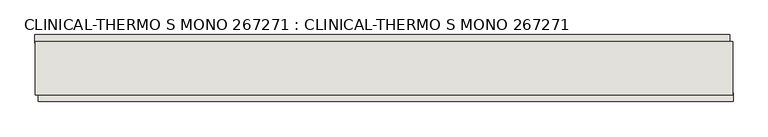
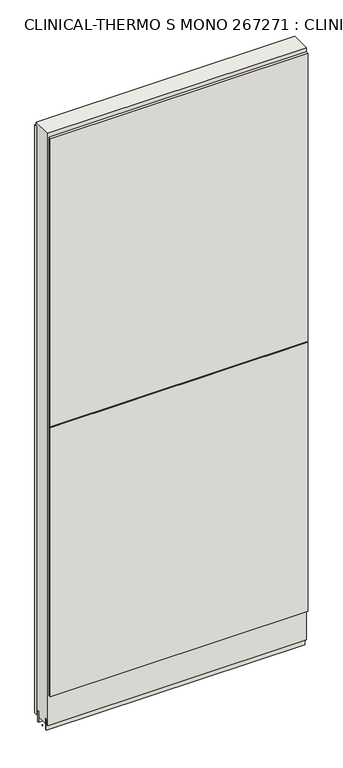
"""IFC4 building model written with IfcOpenShell, lengths in millimetres: wall geometry, CLINICAL-THERMO S MONO 267271 : CLINICAL-THERMO S MONO 267271."""

from ifc_helpers import new_model, si_unit, frame, origin, place, context, project, spatial, polyline, outline, extrude, source, transform, mapped, element, save


def clinical_thermo_s_mono_267271_clinical_thermo_s_mono_267271_62404d31(model_context):
    return source(origin(), model_context, "Body", "SweptSolid", [
        extrude(outline(polyline([(86996.8156936, -47157.7745692), (86994.2756936, -47157.7745692), (86994.2756936, -47155.2345692), (86996.8156936, -47155.2345692), (86996.8156936, -47157.7745692)])), frame((0.0, 0.0, 4419.6), z_axis=(0.0, 0.0, 1.0), x_axis=(1.0, 0.0, 0.0)), (0.0, 0.0, 1.0), 2.54),
        extrude(outline(polyline([(86993.8090702, -47105.7045692), (88048.5918222, -47105.7045692), (88048.5918222, -47118.4045692), (86993.8090702, -47118.4045692), (86993.8090702, -47105.7045692)])), frame((0.0, 0.0, 4445.0), z_axis=(0.0, 0.0, 1.0), x_axis=(1.0, 0.0, 0.0)), (0.0, 0.0, 1.0), 2545.0498756),
        extrude(outline(polyline([(88053.521759, -47207.3045692), (86998.739007, -47207.3045692), (86998.739007, -47194.6045692), (88053.521759, -47194.6045692), (88053.521759, -47207.3045692)])), frame((0.0, 0.0, 4573.9999706), z_axis=(0.0, 0.0, 1.0), x_axis=(1.0, 0.0, 0.0)), (0.0, 0.0, 1.0), 1164.400008),
        extrude(outline(polyline([(88053.521759, -47207.3045692), (86998.739007, -47207.3045692), (86998.739007, -47194.6045692), (88053.521759, -47194.6045692), (88053.521759, -47207.3045692)])), frame((0.0, 0.0, 5742.4000722), z_axis=(0.0, 0.0, 1.0), x_axis=(1.0, 0.0, 0.0)), (0.0, 0.0, 1.0), 1247.649905),
        extrude(outline(polyline([(88053.0625524, -47131.4270222), (86994.2620538, -47131.4270222), (86994.2620538, -47126.3482668), (88053.0625524, -47126.3482668), (88053.0625524, -47131.4270222)])), frame((0.0, 0.0, 4418.6602), z_axis=(0.0, 0.0, 1.0), x_axis=(1.0, 0.0, 0.0)), (0.0, 0.0, 1.0), 47.625),
        extrude(outline(polyline([(88053.0625524, -47131.4270222), (86994.2620538, -47131.4270222), (86994.2620538, -47126.3482668), (88053.0625524, -47126.3482668), (88053.0625524, -47131.4270222)])), frame((0.0, 0.0, 4418.6602), z_axis=(0.0, 0.0, 1.0), x_axis=(1.0, 0.0, 0.0)), (0.0, 0.0, 1.0), 47.625),
        extrude(outline(polyline([(86994.2620538, -47181.5914126), (88053.0625524, -47181.5914126), (88053.0625524, -47186.6732668), (86994.2620538, -47186.6732668), (86994.2620538, -47181.5914126)])), frame((0.0, 0.0, 4418.6602), z_axis=(0.0, 0.0, 1.0), x_axis=(1.0, 0.0, 0.0)), (0.0, 0.0, 1.0), 47.625),
        extrude(outline(polyline([(86994.2620538, -47181.5914126), (88053.0625524, -47181.5914126), (88053.0625524, -47186.6732668), (86994.2620538, -47186.6732668), (86994.2620538, -47181.5914126)])), frame((0.0, 0.0, 4418.6602), z_axis=(0.0, 0.0, 1.0), x_axis=(1.0, 0.0, 0.0)), (0.0, 0.0, 1.0), 47.625),
        extrude(outline(polyline([(88053.0625524, -47115.8558824), (88053.0625524, -47197.1377366), (86994.2620538, -47197.1377366), (86994.2620538, -47115.8558824), (88053.0625524, -47115.8558824)])), frame((0.0, 0.0, 4445.0), z_axis=(0.0, 0.0, 1.0), x_axis=(1.0, 0.0, 0.0)), (0.0, 0.0, 1.0), 2562.4536762),
    ])


if __name__ == "__main__":
    model = new_model("IFC4")
    model_context = context("Model", 3, world=origin())
    ifc_project = project(units=[si_unit("LENGTHUNIT", "METRE", prefix="MILLI")], contexts=[model_context])
    site = spatial("IfcSite", under=ifc_project)
    building = spatial("IfcBuilding", under=site)
    placement = place(None, origin())
    clinical_thermo_s_mono_267271_clinical_thermo_s_mono_267271_shape = clinical_thermo_s_mono_267271_clinical_thermo_s_mono_267271_62404d31(model_context)
    element("IfcWall", 1, ObjectType="CLINICAL-THERMO S MONO 267271 : CLINICAL-THERMO S MONO 267271", at=placement, inside=building, context=model_context, shape_type="MappedRepresentation", body=[
        mapped(clinical_thermo_s_mono_267271_clinical_thermo_s_mono_267271_shape, transform((0.0, 0.0, 0.0), x_axis=(1.0, 0.0, 0.0), y_axis=(0.0, 1.0, 0.0), z_axis=(0.0, 0.0, 1.0))),
    ])
    save(model, "model.ifc")
